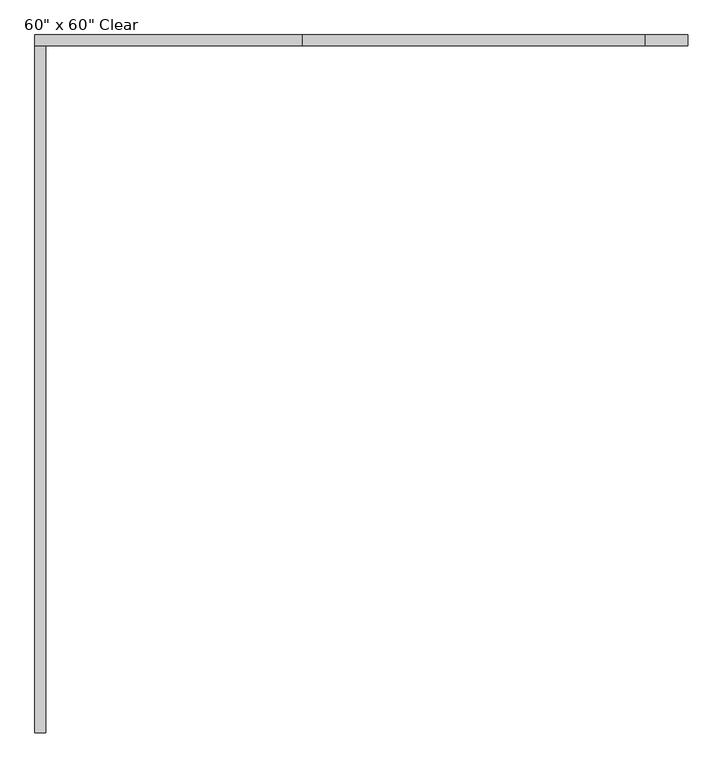
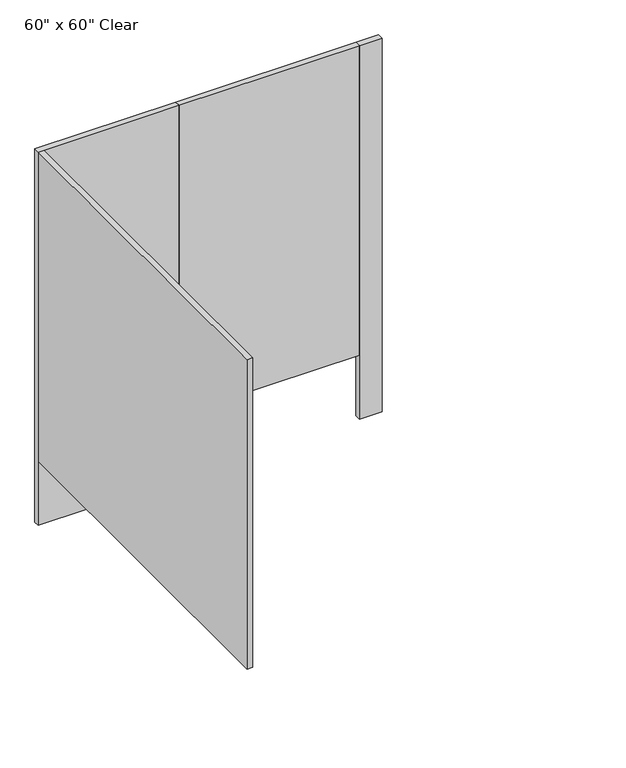
"""IFC4 building model written with IfcOpenShell, lengths in millimetres: proxy geometry."""

from ifc_helpers import new_model, si_unit, frame, origin, origin_with_axes, place, context, project, spatial, polyline, outline, extrude, source, transform, mapped, element, save


def proxy_14d97774(model_context):
    return source(origin(), model_context, "Body", "SweptSolid", [
        extrude(outline(polyline([(1370.1031538, 1720.85), (1370.1031538, 1695.45), (557.3031538, 1695.45), (557.3031538, 1720.85), (1370.1031538, 1720.85)])), frame((0.0, 0.0, 304.8), z_axis=(0.0, 0.0, 1.0), x_axis=(1.0, 0.0, 0.0)), (0.0, 0.0, 1.0), 1473.2),
        extrude(outline(polyline([(557.3031538, 1720.85), (557.3031538, 1695.45), (-77.6968462, 1695.45), (-77.6968462, 1720.85), (557.3031538, 1720.85)])), origin_with_axes(), (0.0, 0.0, 1.0), 1778.0),
        extrude(outline(polyline([(1471.7031538, 1720.85), (1471.7031538, 1695.45), (1370.1031538, 1695.45), (1370.1031538, 1720.85), (1471.7031538, 1720.85)])), origin_with_axes(), (0.0, 0.0, 1.0), 1778.0),
        extrude(outline(polyline([(-77.6968462, 1695.45), (-52.2968462, 1695.45), (-52.2968462, 65.0875), (-77.6968462, 65.0875), (-77.6968462, 1695.45)])), frame((0.0, 0.0, 304.8), z_axis=(0.0, 0.0, 1.0), x_axis=(1.0, 0.0, 0.0)), (0.0, 0.0, 1.0), 1473.2),
    ])


if __name__ == "__main__":
    model = new_model("IFC4")
    model_context = context("Model", 3, world=origin())
    ifc_project = project(units=[si_unit("LENGTHUNIT", "METRE", prefix="MILLI")], contexts=[model_context])
    site = spatial("IfcSite", under=ifc_project)
    building = spatial("IfcBuilding", under=site)
    placement = place(None, origin())
    proxy_shape = proxy_14d97774(model_context)
    element("IfcBuildingElementProxy", 1, Name="60\" x 60\" Clear", ObjectType="60\" x 60\" Clear", at=placement, inside=building, context=model_context, shape_type="MappedRepresentation", body=[
        mapped(proxy_shape, transform((0.0, 0.0, 0.0), x_axis=(1.0, 0.0, 0.0), y_axis=(0.0, 1.0, 0.0), z_axis=(0.0, 0.0, 1.0))),
    ])
    save(model, "model.ifc")
